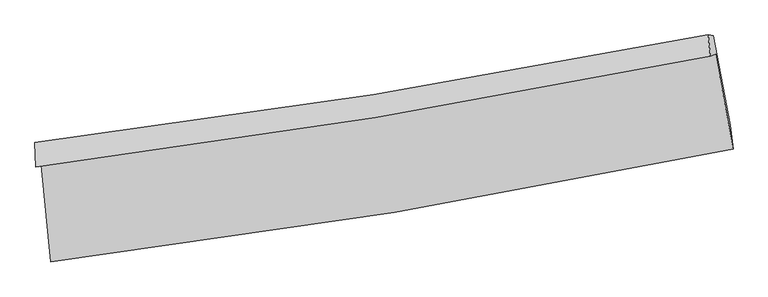
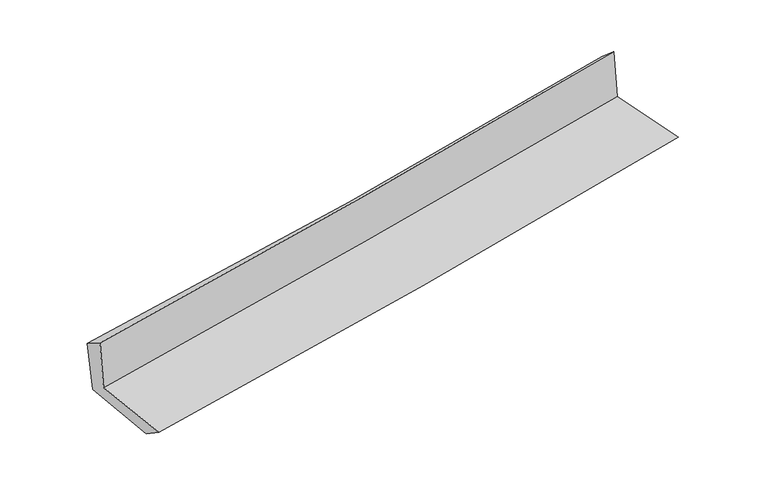
"""IFC4 building model written with IfcOpenShell, lengths in millimetres: proxy geometry."""

from ifc_helpers import new_model, si_unit, frame, origin, place, context, project, spatial, source, transform, mapped, element, save
from ifc_brep_helpers import plane_surface, spline_curve, spline_surface, advanced_brep


def generic_models_23636816(model_context):
    return source(origin(), model_context, "Body", "AdvancedBrep", [
        advanced_brep(
        [(-2324.309281, -1870.4881213, 1668.2078762), (-2259.9479942, -2531.857425, 1665.1000989), (2392.6224153, -1759.1817478, 2097.0402693), (2273.0151107, -1114.0823373, 2094.9062905), (-2359.4786049, -1883.0157373, 2072.1510353), (2237.9004259, -1126.7741237, 2501.3625888), (-2366.5923794, -1714.7456903, 1970.1165806), (2222.6468711, -980.8218785, 2372.805631), (-2329.1869812, -1729.8560458, 1571.0787517), (2258.0379831, -985.7192389, 1998.7832538), (-2265.6803534, -2367.0015243, 1551.401247), (2373.4744167, -1595.3698733, 1974.7491889)],
        [
            (0, 1),
            (1, 2, spline_curve(3, [(-2259.9479942, -2531.857425, 1665.1000989), (-1477.619126762, -2434.646257515, 1747.715479072), (-697.224377978, -2321.334963318, 1825.139318185), (853.602258959, -2063.525293095, 1969.038403525), (1624.064313502, -1919.27802804, 2035.594621036), (2392.6224153, -1759.1817478, 2097.0402693)], [4, 2, 4], [0.0, 7.753908374504464, 15.447110860989703])),
            (2, 3),
            (3, 0, spline_curve(3, [(2273.0151107, -1114.0823373, 2094.9062905), (1512.744380752, -1261.629187919, 2034.489889127), (751.010016997, -1398.231889928, 1968.883703974), (-781.408257249, -1650.540549964, 1826.733126028), (-1552.115357228, -1766.073109251, 1750.106506276), (-2324.309281, -1870.4881213, 1668.2078762)], [4, 2, 4], [0.0, 7.693202486485239, 15.447110860989703])),
            (4, 0),
            (3, 5),
            (5, 4, spline_curve(3, [(2237.9004259, -1126.7741237, 2501.3625888), (1478.476107004, -1280.93768348, 2441.276886414), (717.162094475, -1420.848168169, 2375.628915182), (-815.267642375, -1673.154531296, 2232.646525668), (-1586.413306593, -1785.32458432, 2155.223979244), (-2359.4786049, -1883.0157373, 2072.1510353)], [4, 2, 4], [0.0, 7.646391905449045, 15.353120323758468])),
            (6, 4),
            (5, 7),
            (7, 6, spline_curve(3, [(2222.6468711, -980.8218785, 2372.805631), (1465.421209815, -1130.998161888, 2305.613734717), (705.883840374, -1267.061945786, 2238.591574042), (-823.825949704, -1511.926814411, 2104.359201061), (-1594.03499708, -1620.50430099, 2037.151678456), (-2366.5923794, -1714.7456903, 1970.1165806)], [4, 2, 4], [0.0, 7.635349342033818, 15.330948061743504])),
            (8, 6),
            (7, 9),
            (9, 8, spline_curve(3, [(2258.0379831, -985.7192389, 1998.7832538), (1500.67643454, -1134.366893928, 1929.163062043), (741.237394925, -1270.50776685, 1858.853713794), (-787.80467758, -1518.751525912, 1716.296465226), (-1557.440626106, -1630.656255482, 1644.037646311), (-2329.1869812, -1729.8560458, 1571.0787517)], [4, 2, 4], [0.0, 7.62526737176257, 15.310704565910559])),
            (10, 8),
            (9, 11),
            (11, 10, spline_curve(3, [(2373.4744167, -1595.3698733, 1974.7491889), (1606.967633094, -1749.162817281, 1909.085186241), (838.644468353, -1890.159708661, 1841.12190513), (-707.7116761, -2147.572999012, 1700.04235392), (-1485.773435069, -2263.786658079, 1626.889654642), (-2265.6803534, -2367.0015243, 1551.401247)], [4, 2, 4], [0.0, 7.671673121043375, 15.403882245165349])),
            (1, 10),
            (11, 2),
        ],
        [
            spline_surface(3, 3, [[(-2324.309281, -1870.4881213, 1668.2078762), (-1552.115357303, -1766.073109174, 1750.106506356), (-781.408257203, -1650.540549928, 1826.733125989), (751.010016951, -1398.231889964, 1968.883704013), (1512.74438073, -1261.629187827, 2034.489889172), (2273.0151107, -1114.0823373, 2094.9062905)], [(-2302.855518706, -2090.944555863, 1667.171950448), (-1527.283280391, -1988.930825269, 1749.309497245), (-753.34696413, -1874.138687723, 1826.201856748), (785.207430977, -1619.99635767, 1968.935270473), (1549.851025014, -1480.845467917, 2034.858133106), (2312.88421225, -1329.115474116, 2095.617616779)], [(-2281.401756494, -2311.400990437, 1666.136024652), (-1502.451203562, -2211.788541375, 1748.512488091), (-725.285671089, -2097.736825526, 1825.670587533), (819.404844971, -1841.760825386, 1968.98683696), (1586.957669248, -1700.061748059, 2035.226377003), (2352.75331375, -1544.148610984, 2096.328943021)], [(-2259.9479942, -2531.857425, 1665.1000989), (-1477.619126651, -2434.64625747, 1747.715478979), (-697.224378016, -2321.334963322, 1825.139318291), (853.602258997, -2063.525293092, 1969.03840342), (1624.064313531, -1919.27802815, 2035.594620937), (2392.6224153, -1759.1817478, 2097.0402693)]], [4, 4], [4, 2, 4], [0.0, 2.2130951388156053], [0.0, 7.753908374504464, 15.447110860989703]),
            spline_surface(3, 3, [[(-2359.4786049, -1883.0157373, 2072.1510353), (-1586.413306677, -1785.324584346, 2155.223979147), (-815.267642304, -1673.154531232, 2232.646525688), (717.162094405, -1420.848168233, 2375.628915162), (1478.476106949, -1280.937683428, 2441.276886435), (2237.9004259, -1126.7741237, 2501.3625888)], [(-2347.755496952, -1878.839865299, 1937.503315616), (-1574.980656904, -1778.907425954, 2020.184821566), (-803.981180586, -1665.616537479, 2097.342059126), (728.444735272, -1413.309408825, 2240.047178116), (1489.89886486, -1274.501518226, 2305.681220674), (2249.605320817, -1122.543528231, 2365.877156027)], [(-2336.032388948, -1874.663993301, 1802.855595884), (-1563.548007076, -1772.490267566, 1885.145663937), (-792.694718921, -1658.07854368, 1962.037592551), (739.727376085, -1405.770649372, 2104.465441059), (1501.32162282, -1268.065353029, 2170.085554933), (2261.310215783, -1118.312932769, 2230.391723273)], [(-2324.309281, -1870.4881213, 1668.2078762), (-1552.115357303, -1766.073109174, 1750.106506356), (-781.408257203, -1650.540549928, 1826.733125989), (751.010016951, -1398.231889964, 1968.883704013), (1512.74438073, -1261.629187827, 2034.489889172), (2273.0151107, -1114.0823373, 2094.9062905)]], [4, 4], [4, 2, 4], [0.0, 1.3397656078831643], [0.0, 7.706728418309423, 15.353120323758468]),
            spline_surface(3, 3, [[(-2366.5923794, -1714.7456903, 1970.1165806), (-1594.034997172, -1620.50430091, 2037.151678486), (-823.825949766, -1511.926814341, 2104.359201176), (705.883840436, -1267.061945856, 2238.591573928), (1465.421209899, -1130.998161829, 2305.613734699), (2222.6468711, -980.8218785, 2372.805631)], [(-2364.221121232, -1770.835705953, 2004.128065476), (-1591.494433672, -1675.444395375, 2076.509112016), (-820.973180628, -1565.66938663, 2147.121642663), (709.643258409, -1318.324019974, 2284.270687657), (1469.772842276, -1180.978002377, 2350.834785261), (2227.731389394, -1029.472626914, 2415.65795025)], [(-2361.849863068, -1826.925721647, 2038.139550424), (-1588.953870176, -1730.384489881, 2115.866545617), (-818.120411442, -1619.411958942, 2189.884084201), (713.402676431, -1369.586094115, 2329.949801434), (1474.124474572, -1230.957842881, 2396.055835873), (2232.815907606, -1078.123375286, 2458.51026955)], [(-2359.4786049, -1883.0157373, 2072.1510353), (-1586.413306677, -1785.324584346, 2155.223979147), (-815.267642304, -1673.154531232, 2232.646525688), (717.162094405, -1420.848168233, 2375.628915162), (1478.476106949, -1280.937683428, 2441.276886435), (2237.9004259, -1126.7741237, 2501.3625888)]], [4, 4], [4, 2, 4], [0.0, 0.6764095643674138], [0.0, 7.695598719709686, 15.330948061743504]),
            spline_surface(3, 3, [[(-2329.1869812, -1729.8560458, 1571.0787517), (-1557.440625979, -1630.656255476, 1644.037646317), (-787.804677529, -1518.751526014, 1716.296465316), (741.237394875, -1270.507766748, 1858.853713704), (1500.676434543, -1134.366893915, 1929.163062087), (2258.0379831, -985.7192389, 1998.7832538)], [(-2341.655447259, -1724.81926064, 1704.091361332), (-1569.638749702, -1627.272270627, 1775.075657039), (-799.811768261, -1516.476622117, 1845.650710606), (729.452876742, -1269.359159778, 1985.433000449), (1488.924692994, -1133.243983227, 2054.646619634), (2246.240945766, -984.086785441, 2123.457379543)], [(-2354.123913341, -1719.78247546, 1837.103970968), (-1581.836873448, -1623.888285759, 1906.113667764), (-811.818859033, -1514.201718238, 1975.004955885), (717.668358569, -1268.210552827, 2112.012287183), (1477.172951448, -1132.121072517, 2180.130177152), (2234.443908434, -982.454331959, 2248.131505257)], [(-2366.5923794, -1714.7456903, 1970.1165806), (-1594.034997172, -1620.50430091, 2037.151678486), (-823.825949766, -1511.926814341, 2104.359201176), (705.883840436, -1267.061945856, 2238.591573928), (1465.421209899, -1130.998161829, 2305.613734699), (2222.6468711, -980.8218785, 2372.805631)]], [4, 4], [4, 2, 4], [0.0, 1.2651663863308373], [0.0, 7.685437194147989, 15.310704565910559]),
            spline_surface(3, 3, [[(-2265.6803534, -2367.0015243, 1551.401247), (-1485.773435013, -2263.786658123, 1626.889654719), (-707.71167622, -2147.572999074, 1700.042354046), (838.644468472, -1890.159708599, 1841.121905005), (1606.96763306, -1749.162817289, 1909.085186299), (2373.4744167, -1595.3698733, 1974.7491889)], [(-2286.849229343, -2154.619698136, 1557.960415255), (-1509.662498678, -2052.743190576, 1632.605651939), (-734.409343345, -1937.965841396, 1705.460391138), (806.175443918, -1683.609061324, 1847.032507907), (1571.537233542, -1544.230842817, 1915.777811569), (2334.995605487, -1392.152995153, 1982.760543874)], [(-2308.018105257, -1942.237871964, 1564.519583445), (-1533.551562314, -1841.699723022, 1638.321649096), (-761.107010404, -1728.358683692, 1710.878428224), (773.706419429, -1477.058414023, 1852.943110803), (1536.106834061, -1339.298868387, 1922.470436817), (2296.516794313, -1188.936117047, 1990.771898826)], [(-2329.1869812, -1729.8560458, 1571.0787517), (-1557.440625979, -1630.656255476, 1644.037646317), (-787.804677529, -1518.751526014, 1716.296465316), (741.237394875, -1270.507766748, 1858.853713704), (1500.676434543, -1134.366893915, 1929.163062087), (2258.0379831, -985.7192389, 1998.7832538)]], [4, 4], [4, 2, 4], [0.0, 2.069452031074664], [0.0, 7.732209124121974, 15.403882245165349]),
            spline_surface(3, 3, [[(-2259.9479942, -2531.857425, 1665.1000989), (-1477.619126651, -2434.64625747, 1747.715478979), (-697.224378016, -2321.334963322, 1825.139318291), (853.602258997, -2063.525293092, 1969.03840342), (1624.064313531, -1919.27802815, 2035.594620937), (2392.6224153, -1759.1817478, 2097.0402693)], [(-2261.858780608, -2476.90545811, 1627.200481573), (-1480.337229446, -2377.693057698, 1707.440204199), (-700.720144088, -2263.414308566, 1783.440330225), (848.616328818, -2005.736764921, 1926.399570631), (1618.365420027, -1862.572957873, 1993.424809385), (2386.239749086, -1704.577789644, 2056.276575827)], [(-2263.769566992, -2421.95349119, 1589.300864327), (-1483.055332217, -2320.739857895, 1667.164929499), (-704.215910149, -2205.49365383, 1741.741342112), (843.630398651, -1947.94823677, 1883.760737794), (1612.666526564, -1805.867887565, 1951.254997852), (2379.857082914, -1649.973831456, 2015.512882373)], [(-2265.6803534, -2367.0015243, 1551.401247), (-1485.773435013, -2263.786658123, 1626.889654719), (-707.71167622, -2147.572999074, 1700.042354046), (838.644468472, -1890.159708599, 1841.121905005), (1606.96763306, -1749.162817289, 1909.085186299), (2373.4744167, -1595.3698733, 1974.7491889)]], [4, 4], [4, 2, 4], [0.0, 0.705856579410484], [0.0, 7.789632945919697, 15.518280313665588]),
            plane_surface(frame((2292.9495371, -1260.3248666, 2173.274537), z_axis=(0.9791746161307703, 0.18184650597772478, 0.09027136527632695), x_axis=(-0.09419419724953941, 0.013034428798014972, 0.9954685112400212))),
            plane_surface(frame((-2317.532599, -2016.1607573, 1749.6759316), z_axis=(-0.9913628764623129, -0.09605509420000735, -0.08929202680305136), x_axis=(-0.09685658968382194, 0.9952873595190938, 0.004676859665440003))),
        ],
        [
            (0, [[1, 2, 3, 4]]),
            (1, [[5, -4, 6, 7]]),
            (2, [[8, -7, 9, 10]]),
            (3, [[11, -10, 12, 13]]),
            (4, [[14, -13, 15, 16]]),
            (5, [[17, -16, 18, -2]]),
            (6, [[-12, -9, -6, -3, -18, -15]]),
            (7, [[-1, -5, -8, -11, -14, -17]]),
        ],
    ),
    ])


if __name__ == "__main__":
    model = new_model("IFC4")
    model_context = context("Model", 3, world=origin())
    ifc_project = project(units=[si_unit("LENGTHUNIT", "METRE", prefix="MILLI")], contexts=[model_context])
    site = spatial("IfcSite", under=ifc_project)
    building = spatial("IfcBuilding", under=site)
    placement = place(None, origin())
    generic_models_shape = generic_models_23636816(model_context)
    element("IfcBuildingElementProxy", 1, Name="Generic Models", at=placement, inside=building, context=model_context, shape_type="MappedRepresentation", body=[
        mapped(generic_models_shape, transform((0.0, 0.0, 0.0), x_axis=(1.0, 0.0, 0.0), y_axis=(0.0, 1.0, 0.0), z_axis=(0.0, 0.0, 1.0))),
    ])
    save(model, "model.ifc")
